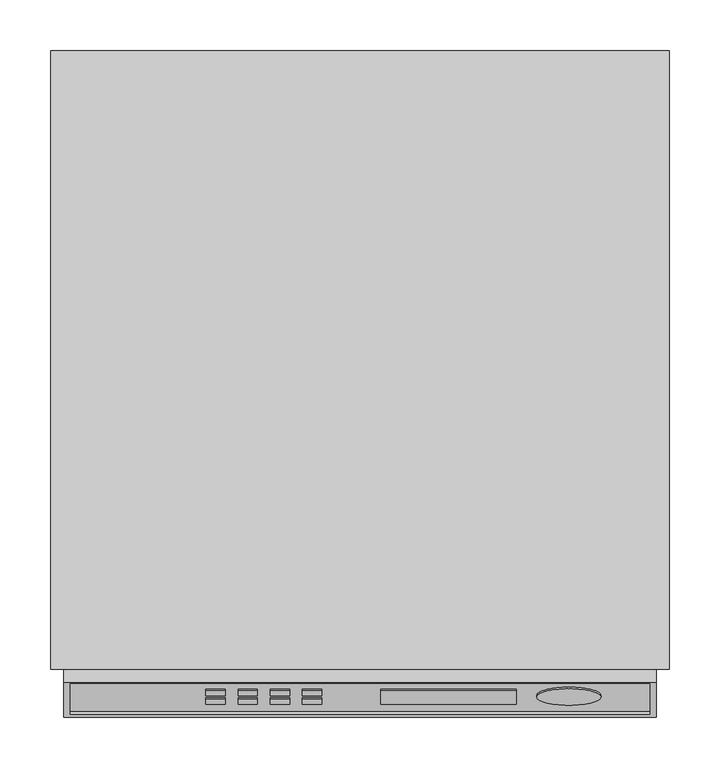
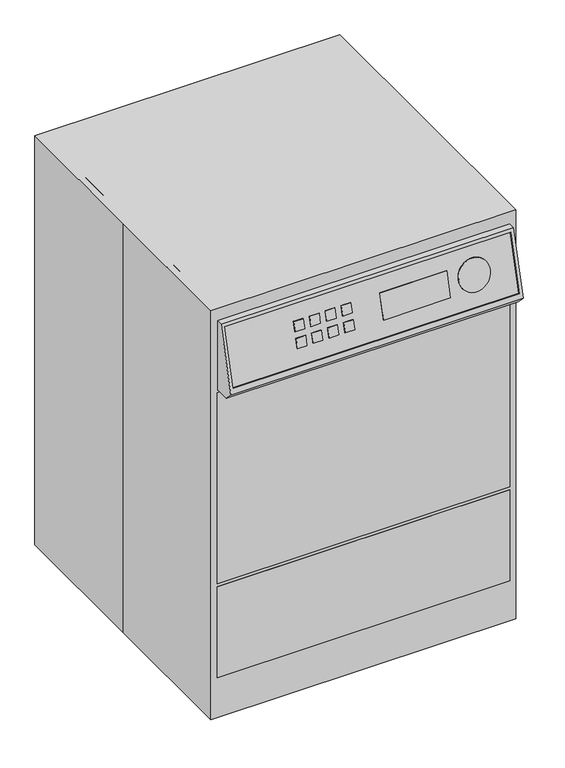
"""IFC4 building model written with IfcOpenShell, lengths in millimetres: proxy geometry."""

from ifc_helpers import new_model, si_unit, point, frame, frame_2d, origin, origin_with_axes, place, context, project, spatial, polyline, circle_curve, trimmed, segment, composite_curve, outline, extrude, faceted_brep, source, transform, mapped, element, save


def specialty_equipment_6438c611(model_context):
    return source(origin(), model_context, "Body", "SolidModel", [
        extrude(outline(composite_curve([segment(trimmed(circle_curve(frame_2d((0.0, -31.75)), 31.75), [point((0.0, -63.5))], [point((0.0, 0.0))], False, "CARTESIAN"), True, "CONTINUOUS"), segment(trimmed(circle_curve(frame_2d((0.0, -31.75)), 31.75), [point((0.0, 0.0))], [point((0.0, -63.5))], False, "CARTESIAN"), True, "CONTINUOUS")], self_intersect=False)), frame((237.6213064, -330.6291997, 777.0527946), z_axis=(0.0, -0.9659258262890679, 0.25881904510252246), x_axis=(0.0, -0.25881904510252246, -0.9659258262890679)), (0.0, 0.0, 1.0), 1.5875),
        extrude(outline(polyline([(0.0, -133.35), (0.0, 0.0), (1.5875, 0.0), (1.5875, -133.35), (0.0, -133.35)])), frame((20.6288842, -339.2390698, 751.0539512), z_axis=(0.0, 0.25881904510253684, 0.965925826289064), x_axis=(0.0, 0.965925826289064, -0.25881904510253684)), (0.0, 0.0, 1.0), 50.8),
        extrude(outline(polyline([(0.0, -19.05), (0.0, 0.0), (1.5875, 0.0), (1.5875, -19.05), (0.0, -19.05)])), frame((-56.6632748, -331.0215651, 781.7220962), z_axis=(0.0, 0.25881904510253684, 0.965925826289064), x_axis=(0.0, 0.965925826289064, -0.25881904510253684)), (0.0, 0.0, 1.0), 19.05),
        extrude(outline(polyline([(0.0, -19.05), (0.0, 0.0), (1.5875, 0.0), (1.5875, -19.05), (0.0, -19.05)])), frame((-56.6632748, -339.2390698, 751.0539512), z_axis=(0.0, 0.25881904510253684, 0.965925826289064), x_axis=(0.0, 0.965925826289064, -0.25881904510253684)), (0.0, 0.0, 1.0), 19.05),
        extrude(outline(polyline([(0.0, -19.05), (0.0, 0.0), (1.5875, 0.0), (1.5875, -19.05), (0.0, -19.05)])), frame((-88.4132748, -331.0215651, 781.7220962), z_axis=(0.0, 0.2588190451024573, 0.9659258262890853), x_axis=(0.0, 0.9659258262890853, -0.2588190451024573)), (0.0, 0.0, 1.0), 19.05),
        extrude(outline(polyline([(0.0, -19.05), (0.0, 0.0), (1.5875, 0.0), (1.5875, -19.05), (0.0, -19.05)])), frame((-88.4132748, -339.2390698, 751.0539512), z_axis=(0.0, 0.25881904510253684, 0.965925826289064), x_axis=(0.0, 0.965925826289064, -0.25881904510253684)), (0.0, 0.0, 1.0), 19.05),
        extrude(outline(polyline([(0.0, -19.05), (0.0, 0.0), (1.5875, 0.0), (1.5875, -19.05), (0.0, -19.05)])), frame((-120.1632748, -331.0215651, 781.7220962), z_axis=(0.0, 0.25881904510253684, 0.965925826289064), x_axis=(0.0, 0.965925826289064, -0.25881904510253684)), (0.0, 0.0, 1.0), 19.05),
        extrude(outline(polyline([(0.0, -19.05), (0.0, 0.0), (1.5875, 0.0), (1.5875, -19.05), (0.0, -19.05)])), frame((-120.1632748, -339.2390698, 751.0539512), z_axis=(0.0, 0.25881904510253684, 0.965925826289064), x_axis=(0.0, 0.965925826289064, -0.25881904510253684)), (0.0, 0.0, 1.0), 19.05),
        extrude(outline(polyline([(0.0, -19.05), (0.0, 0.0), (1.5875, 0.0), (1.5875, -19.05), (0.0, -19.05)])), frame((-151.9132748, -331.0215651, 781.7220962), z_axis=(0.0, 0.25881904510253684, 0.965925826289064), x_axis=(0.0, 0.965925826289064, -0.25881904510253684)), (0.0, 0.0, 1.0), 19.05),
        extrude(outline(polyline([(0.0, -19.05), (0.0, 0.0), (1.5875, 0.0), (1.5875, -19.05), (0.0, -19.05)])), frame((-151.9132748, -339.2390698, 751.0539512), z_axis=(0.0, 0.25881904510253684, 0.965925826289064), x_axis=(0.0, 0.965925826289064, -0.25881904510253684)), (0.0, 0.0, 1.0), 19.05),
        faceted_brep([(292.1, -317.5, 838.2), (292.1, -352.0135197, 709.3937911), (292.1, -334.7697286, 692.15), (292.1, -279.4, 692.15), (292.1, -279.4, 838.2), (-292.1, -317.5, 838.2), (-292.1, -279.4, 838.2), (-292.1, -279.4, 692.15), (-292.1, -334.7697286, 692.15), (-292.1, -352.0135197, 709.3937911), (-285.75, -319.1435009, 832.066371), (285.75, -319.1435009, 832.066371), (285.75, -349.1939991, 719.9163852), (-285.75, -349.1939991, 719.9163852), (285.75, -316.1064097, 831.2525849), (-285.75, -316.1064097, 831.2525849), (-285.75, -346.1569078, 719.1025991), (285.75, -346.1569078, 719.1025991)], [[[0, 1, 2, 3, 4]], [[5, 6, 7, 8, 9]], [[1, 0, 5, 9], [10, 11, 12, 13]], [[2, 1, 9, 8]], [[3, 2, 8, 7]], [[4, 3, 7, 6]], [[0, 4, 6, 5]], [[14, 15, 16, 17]], [[15, 14, 11, 10]], [[16, 15, 10, 13]], [[17, 16, 13, 12]], [[14, 17, 12, 11]]]),
        faceted_brep([(292.1, -279.4, 276.225), (292.1, -304.8, 276.225), (292.1, -304.8, 84.0277163), (292.1, -279.4, 84.0277163), (-292.1, -279.4, 276.225), (-292.1, -279.4, 84.0277163), (-292.1, -304.8, 84.0277163), (-292.1, -304.8, 276.225)], [[[0, 1, 2, 3]], [[4, 5, 6, 7]], [[3, 2, 6, 5]], [[0, 3, 5, 4]], [[1, 0, 4, 7]], [[2, 1, 7, 6]]]),
        faceted_brep([(292.1, -304.8, 282.575), (292.1, -279.4, 282.575), (292.1, -279.4, 685.8), (292.1, -304.8, 685.8), (-292.1, -304.8, 282.575), (-292.1, -304.8, 685.8), (-292.1, -279.4, 685.8), (-292.1, -279.4, 282.575)], [[[0, 1, 2, 3]], [[4, 5, 6, 7]], [[3, 2, 6, 5]], [[0, 3, 5, 4]], [[1, 0, 4, 7]], [[2, 1, 7, 6]]]),
        extrude(outline(polyline([(-304.8, 304.8), (304.8, 304.8), (304.8, -304.8), (-304.8, -304.8), (-304.8, 0.0), (-304.8, 304.8)])), origin_with_axes(), (0.0, 0.0, 1.0), 863.6),
        extrude(outline(polyline([(292.1, -304.8), (-292.1, -304.8), (-292.1, 304.8), (292.1, 304.8), (292.1, -304.8)])), frame((0.0, 0.0, 838.2), z_axis=(0.0, 0.0, 1.0), x_axis=(1.0, 0.0, 0.0)), (0.0, 0.0, 1.0), 25.4),
        extrude(outline(polyline([(254.0, 158.75), (254.0, 0.0), (-279.4, 0.0), (-279.4, 838.2), (279.4, 838.2), (279.4, 158.75), (254.0, 158.75)])), frame((-292.1, 0.0, 0.0), z_axis=(1.0, 0.0, 0.0), x_axis=(0.0, 1.0, 0.0)), (0.0, 0.0, 1.0), 584.2),
    ])


if __name__ == "__main__":
    model = new_model("IFC4")
    model_context = context("Model", 3, world=origin())
    ifc_project = project(units=[si_unit("LENGTHUNIT", "METRE", prefix="MILLI")], contexts=[model_context])
    site = spatial("IfcSite", under=ifc_project)
    building = spatial("IfcBuilding", under=site)
    placement = place(None, origin())
    specialty_equipment_shape = specialty_equipment_6438c611(model_context)
    element("IfcBuildingElementProxy", 1, Name="Specialty Equipment", at=placement, inside=building, context=model_context, shape_type="MappedRepresentation", body=[
        mapped(specialty_equipment_shape, transform((0.0, 0.0, 0.0), x_axis=(1.0, 0.0, 0.0), y_axis=(0.0, 1.0, 0.0), z_axis=(0.0, 0.0, 1.0))),
    ])
    save(model, "model.ifc")
